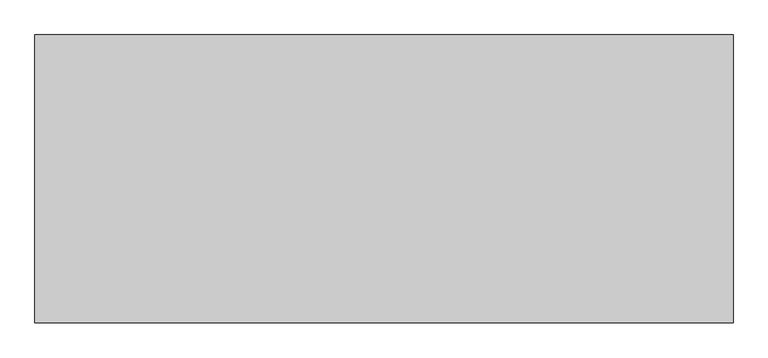
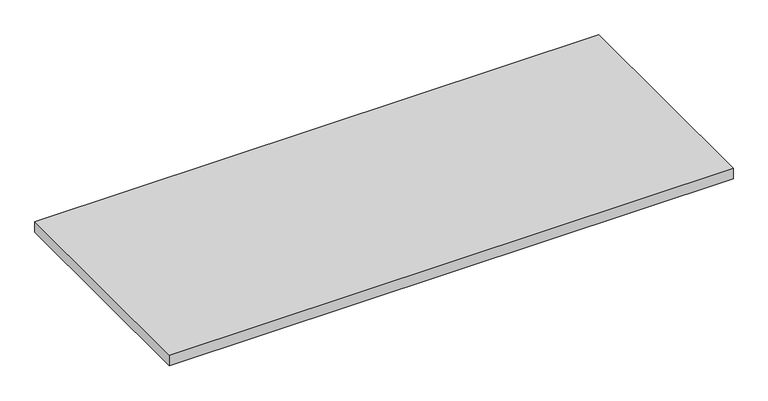
"""IFC4 building model written with IfcOpenShell, lengths in millimetres: furniture geometry."""

from ifc_helpers import new_model, si_unit, frame, origin, place, context, project, spatial, polyline, outline, extrude, source, transform, mapped, element, save


def furniture_b036e5eb(model_context):
    return source(origin(), model_context, "Body", "SweptSolid", [
        extrude(outline(polyline([(762.0, 314.325), (762.0, -314.325), (-762.0, -314.325), (-762.0, 314.325), (762.0, 314.325)])), frame((0.0, 0.0, 706.4375), z_axis=(0.0, 0.0, 1.0), x_axis=(1.0, 0.0, 0.0)), (0.0, 0.0, 1.0), 30.1625),
    ])


if __name__ == "__main__":
    model = new_model("IFC4")
    model_context = context("Model", 3, world=origin())
    ifc_project = project(units=[si_unit("LENGTHUNIT", "METRE", prefix="MILLI")], contexts=[model_context])
    site = spatial("IfcSite", under=ifc_project)
    building = spatial("IfcBuilding", under=site)
    placement = place(None, origin())
    furniture_shape = furniture_b036e5eb(model_context)
    element("IfcFurniture", 1, at=placement, inside=building, context=model_context, shape_type="MappedRepresentation", body=[
        mapped(furniture_shape, transform((0.0, 0.0, 0.0), x_axis=(1.0, 0.0, 0.0), y_axis=(0.0, 1.0, 0.0), z_axis=(0.0, 0.0, 1.0))),
    ])
    save(model, "model.ifc")
